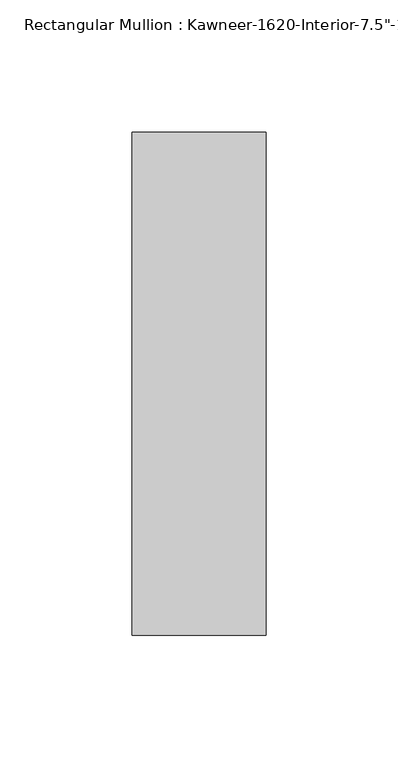
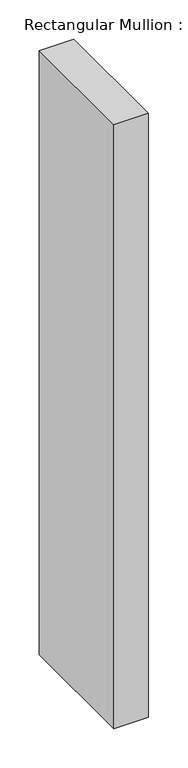
"""IFC4 building model written with IfcOpenShell, lengths in millimetres: member geometry."""

from ifc_helpers import new_model, si_unit, frame, origin, place, context, project, spatial, polyline, outline, extrude, source, transform, mapped, element, save


def member_802776a4(model_context):
    return source(origin(), model_context, "Body", "SweptSolid", [
        extrude(outline(polyline([(25.4, -152.4), (-25.4, -152.4), (-25.4, 38.1), (25.4, 38.1), (25.4, -152.4)])), frame((0.0, 0.0, -939.8), z_axis=(0.0, 0.0, 1.0), x_axis=(1.0, 0.0, 0.0)), (0.0, 0.0, 1.0), 939.8),
    ])


if __name__ == "__main__":
    model = new_model("IFC4")
    model_context = context("Model", 3, world=origin())
    ifc_project = project(units=[si_unit("LENGTHUNIT", "METRE", prefix="MILLI")], contexts=[model_context])
    site = spatial("IfcSite", under=ifc_project)
    building = spatial("IfcBuilding", under=site)
    placement = place(None, origin())
    member_shape = member_802776a4(model_context)
    element("IfcMember", 1, ObjectType="Rectangular Mullion : Kawneer-1620-Interior-7.5\"-1\"Infill", at=placement, inside=building, context=model_context, shape_type="MappedRepresentation", body=[
        mapped(member_shape, transform((0.0, 0.0, 0.0), x_axis=(1.0, 0.0, 0.0), y_axis=(0.0, 1.0, 0.0), z_axis=(0.0, 0.0, 1.0))),
    ])
    save(model, "model.ifc")
